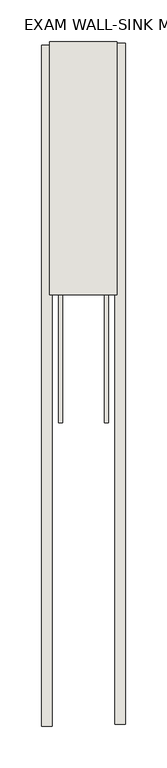
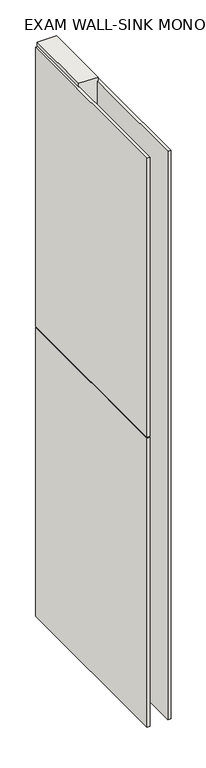
"""IFC4 building model written with IfcOpenShell, lengths in millimetres: wall geometry, EXAM WALL-SINK MONO 133272 : EXAM WALL-SINK MONO 133272."""

from ifc_helpers import new_model, si_unit, frame, origin, place, context, project, spatial, polyline, outline, extrude, source, transform, mapped, element, save


def exam_wall_sink_mono_133272_exam_wall_sink_mono_133272_cce64014(model_context):
    return source(origin(), model_context, "Body", "SweptSolid", [
        extrude(outline(polyline([(72290.342211, -44756.7707352), (72290.342211, -44754.2307352), (72292.882211, -44754.2307352), (72292.882211, -44756.7707352), (72290.342211, -44756.7707352)])), frame((0.0, 0.0, 4419.6), z_axis=(0.0, 0.0, 1.0), x_axis=(1.0, 0.0, 0.0)), (0.0, 0.0, 1.0), 2.54),
        extrude(outline(polyline([(72342.412211, -44756.2325854), (72342.412211, -45576.1450934), (72329.712211, -45576.1450934), (72329.712211, -44756.2325854), (72342.412211, -44756.2325854)])), frame((0.0, 0.0, 4445.0), z_axis=(0.0, 0.0, 1.0), x_axis=(1.0, 0.0, 0.0)), (0.0, 0.0, 1.0), 2545.0498756),
        extrude(outline(polyline([(72240.812211, -45578.6100618), (72240.812211, -44758.6975538), (72253.512211, -44758.6975538), (72253.512211, -45578.6100618), (72240.812211, -45578.6100618)])), frame((0.0, 0.0, 4445.0), z_axis=(0.0, 0.0, 1.0), x_axis=(1.0, 0.0, 0.0)), (0.0, 0.0, 1.0), 1293.400004),
        extrude(outline(polyline([(72240.812211, -45578.6100618), (72240.812211, -44758.6975538), (72253.512211, -44758.6975538), (72253.512211, -45578.6100618), (72240.812211, -45578.6100618)])), frame((0.0, 0.0, 5742.4000722), z_axis=(0.0, 0.0, 1.0), x_axis=(1.0, 0.0, 0.0)), (0.0, 0.0, 1.0), 1247.649905),
        extrude(outline(polyline([(72316.6959556, -45213.0169906), (72316.6959556, -44754.2418858), (72321.774711, -44754.2418858), (72321.774711, -45213.0169906), (72316.6959556, -45213.0169906)])), frame((0.0, 0.0, 4418.6602), z_axis=(0.0, 0.0, 1.0), x_axis=(1.0, 0.0, 0.0)), (0.0, 0.0, 1.0), 47.625),
        extrude(outline(polyline([(72316.6959556, -45213.0169906), (72316.6959556, -44754.2418858), (72321.774711, -44754.2418858), (72321.774711, -45213.0169906), (72316.6959556, -45213.0169906)])), frame((0.0, 0.0, 4418.6602), z_axis=(0.0, 0.0, 1.0), x_axis=(1.0, 0.0, 0.0)), (0.0, 0.0, 1.0), 47.625),
        extrude(outline(polyline([(72266.5284664, -44754.2418858), (72266.5284664, -45213.0169906), (72261.449711, -45213.0169906), (72261.449711, -44754.2418858), (72266.5284664, -44754.2418858)])), frame((0.0, 0.0, 4418.6602), z_axis=(0.0, 0.0, 1.0), x_axis=(1.0, 0.0, 0.0)), (0.0, 0.0, 1.0), 47.625),
        extrude(outline(polyline([(72266.5284664, -44754.2418858), (72266.5284664, -45213.0169906), (72261.449711, -45213.0169906), (72261.449711, -44754.2418858), (72266.5284664, -44754.2418858)])), frame((0.0, 0.0, 4418.6602), z_axis=(0.0, 0.0, 1.0), x_axis=(1.0, 0.0, 0.0)), (0.0, 0.0, 1.0), 47.625),
        extrude(outline(polyline([(72332.2670954, -45059.0418858), (72250.9573266, -45059.0418858), (72250.9573266, -44754.2418858), (72332.2670954, -44754.2418858), (72332.2670954, -45059.0418858)])), frame((0.0, 0.0, 4445.0), z_axis=(0.0, 0.0, 1.0), x_axis=(1.0, 0.0, 0.0)), (0.0, 0.0, 1.0), 2562.4536762),
    ])


if __name__ == "__main__":
    model = new_model("IFC4")
    model_context = context("Model", 3, world=origin())
    ifc_project = project(units=[si_unit("LENGTHUNIT", "METRE", prefix="MILLI")], contexts=[model_context])
    site = spatial("IfcSite", under=ifc_project)
    building = spatial("IfcBuilding", under=site)
    placement = place(None, origin())
    exam_wall_sink_mono_133272_exam_wall_sink_mono_133272_shape = exam_wall_sink_mono_133272_exam_wall_sink_mono_133272_cce64014(model_context)
    element("IfcWall", 1, ObjectType="EXAM WALL-SINK MONO 133272 : EXAM WALL-SINK MONO 133272", at=placement, inside=building, context=model_context, shape_type="MappedRepresentation", body=[
        mapped(exam_wall_sink_mono_133272_exam_wall_sink_mono_133272_shape, transform((0.0, 0.0, 0.0), x_axis=(1.0, 0.0, 0.0), y_axis=(0.0, 1.0, 0.0), z_axis=(0.0, 0.0, 1.0))),
    ])
    save(model, "model.ifc")
